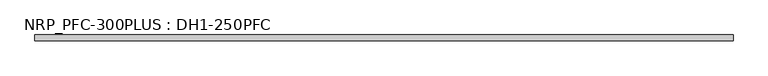
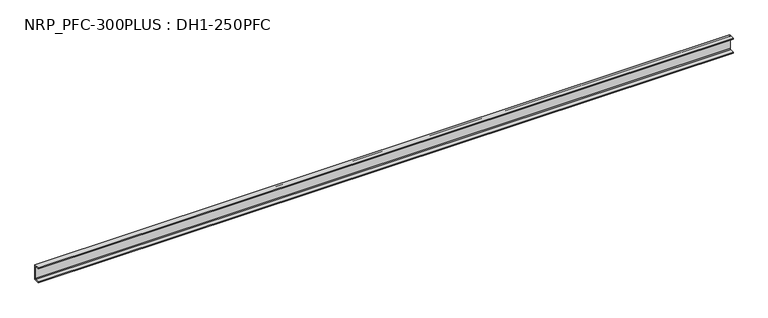
"""IFC4 building model written with IfcOpenShell, lengths in millimetres: beam geometry, NRP_PFC-300PLUS : DH1-250PFC."""

from ifc_helpers import new_model, si_unit, point, frame, frame_2d, origin, place, context, project, spatial, polyline, circle_curve, trimmed, segment, composite_curve, outline, extrude, source, transform, mapped, element, save


def nrp_pfc_300plus_dh1_250pfc_83ee1b87(model_context):
    return source(origin(), model_context, "Body", "SweptSolid", [
        extrude(outline(composite_curve([segment(polyline([(28.6, 125.0), (28.6, -125.0), (-61.4, -125.0), (-61.4, -110.0), (8.6, -110.0)]), True, "CONTINUOUS"), segment(trimmed(circle_curve(frame_2d((8.6, -98.0)), 12.0), [point((8.6, -110.0))], [point((20.6, -98.0))], True, "CARTESIAN"), True, "CONTINUOUS"), segment(polyline([(20.6, -98.0), (20.6, 98.0)]), True, "CONTINUOUS"), segment(trimmed(circle_curve(frame_2d((8.6, 98.0)), 12.0), [point((20.6, 98.0))], [point((8.6, 110.0))], True, "CARTESIAN"), True, "CONTINUOUS"), segment(polyline([(8.6, 110.0), (-61.4, 110.0), (-61.4, 125.0), (28.6, 125.0)]), True, "CONTINUOUS")], self_intersect=False)), frame((-5525.0, 0.0, 0.0), z_axis=(1.0, 0.0, 0.0), x_axis=(0.0, 1.0, 0.0)), (0.0, 0.0, 1.0), 11050.0),
    ])


if __name__ == "__main__":
    model = new_model("IFC4")
    model_context = context("Model", 3, world=origin())
    ifc_project = project(units=[si_unit("LENGTHUNIT", "METRE", prefix="MILLI")], contexts=[model_context])
    site = spatial("IfcSite", under=ifc_project)
    building = spatial("IfcBuilding", under=site)
    placement = place(None, origin())
    nrp_pfc_300plus_dh1_250pfc_shape = nrp_pfc_300plus_dh1_250pfc_83ee1b87(model_context)
    element("IfcBeam", 1, ObjectType="NRP_PFC-300PLUS : DH1-250PFC", at=placement, inside=building, context=model_context, shape_type="MappedRepresentation", body=[
        mapped(nrp_pfc_300plus_dh1_250pfc_shape, transform((0.0, 0.0, 0.0), x_axis=(1.0, 0.0, 0.0), y_axis=(0.0, 1.0, 0.0), z_axis=(0.0, 0.0, 1.0))),
    ])
    save(model, "model.ifc")
